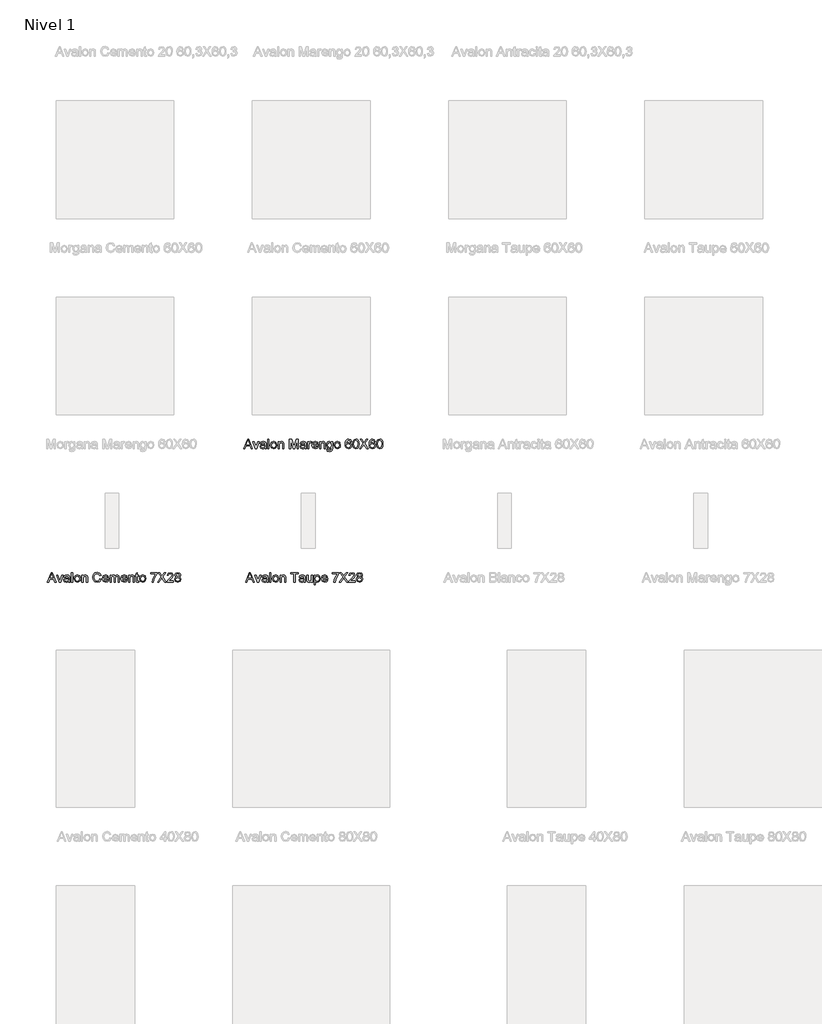
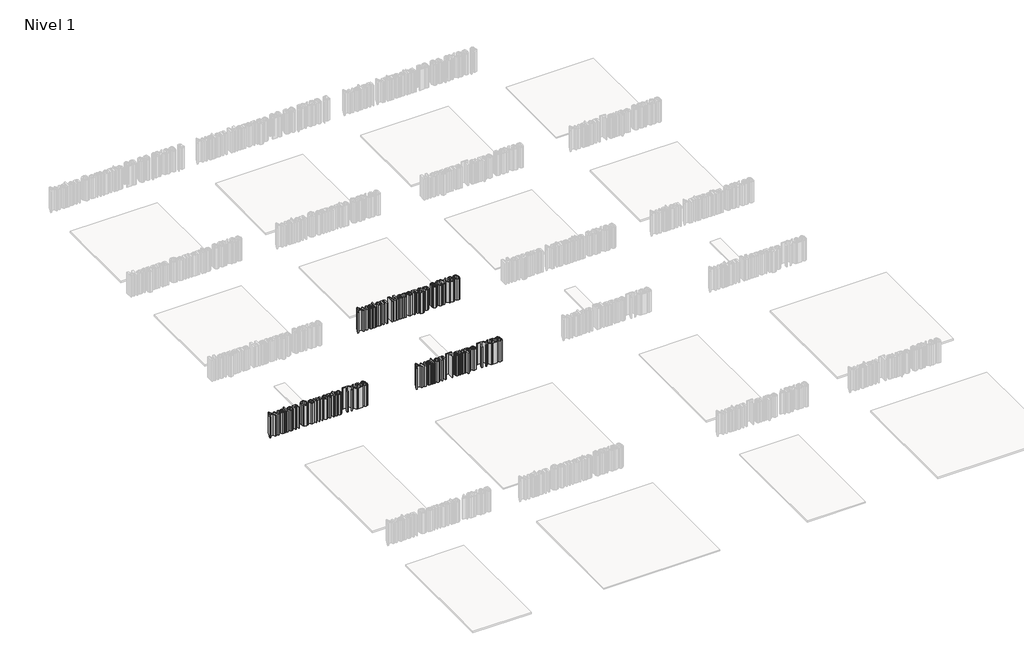
# One storey, part 5 of 11: 3 proxies.
"""IFC4 building model written with IfcOpenShell, lengths in millimetres."""

import ifcopenshell
import ifcopenshell.guid

model = None  # the IFC model being written
_history = None  # IfcOwnerHistory: only IFC2X3 demands one
_inside = {}  # id of a spatial element -> (the spatial element, [elements in it])
_under = {}  # id of a project, library or spatial element -> (it, [spatial elements below it])
_declared = {}  # id of a project -> (the project, [libraries it declares])
_typed = {}  # id of a type object -> (the type object, [elements of that type])
_made_of = {}  # id of a material, layer set ... -> (it, [elements and type objects made of it])


def new_model(schema):
    """Start an empty IFC model of exactly this schema.

    Asked for "IFC4X3", IfcOpenShell would pick the latest addendum, in which some entities
    have other attributes; the version numbers below select the first issue.
    IFC2X3 requires an IfcOwnerHistory on every rooted entity: one is made here for all.
    """
    global model, _history
    if schema == "IFC4X3":
        model = ifcopenshell.file(schema_version=(4, 3, 0, 0))
    else:
        model = ifcopenshell.file(schema=schema)
    _inside.clear()
    _under.clear()
    _declared.clear()
    _typed.clear()
    _made_of.clear()
    _history = None
    if model.schema == "IFC2X3":
        org = make("IfcOrganization", Name="unknown")
        user = make(
            "IfcPersonAndOrganization",
            ThePerson=make("IfcPerson", FamilyName="unknown"),
            TheOrganization=org,
        )
        app = make(
            "IfcApplication",
            ApplicationDeveloper=org,
            Version="unknown",
            ApplicationFullName="unknown",
            ApplicationIdentifier="unknown",
        )
        _history = make(
            "IfcOwnerHistory",
            OwningUser=user,
            OwningApplication=app,
            ChangeAction="ADDED",
            CreationDate=0,
        )
    return model


def make(cls, **values):
    """One entity of the class cls with the attributes given. An attribute that is None is left unset."""
    return model.create_entity(
        cls, **{name: value for name, value in values.items() if value is not None}
    )


def rooted(cls, **values):
    """An entity with a GlobalId (a new one), such as an element, a storey or a relation."""
    return make(cls, GlobalId=ifcopenshell.guid.new(), OwnerHistory=_history, **values)


def si_unit(unit_type, name, prefix=None):
    """IfcSIUnit, for example si_unit("LENGTHUNIT", "METRE", prefix="MILLI")."""
    return make("IfcSIUnit", UnitType=unit_type, Prefix=prefix, Name=name)


def assignment(units):
    """IfcUnitAssignment: the units of a project."""
    return None if units is None else make("IfcUnitAssignment", Units=units)


def point(xyz):
    """IfcCartesianPoint."""
    return None if xyz is None else make("IfcCartesianPoint", Coordinates=xyz)


def direction(xyz):
    """IfcDirection."""
    return None if xyz is None else make("IfcDirection", DirectionRatios=xyz)


def frame(location, z_axis=None, x_axis=None):
    """IfcAxis2Placement3D, a coordinate frame: its origin and axes. An axis left out is left unset."""
    return make(
        "IfcAxis2Placement3D",
        Location=point(location),
        Axis=direction(z_axis),
        RefDirection=direction(x_axis),
    )


def origin():
    """The frame at (0, 0, 0) with its axes left unset."""
    return frame((0.0, 0.0, 0.0))


def origin_with_axes():
    """The frame at (0, 0, 0) with the z axis (0, 0, 1) and the x axis (1, 0, 0) written out."""
    return frame((0.0, 0.0, 0.0), z_axis=(0.0, 0.0, 1.0), x_axis=(1.0, 0.0, 0.0))


def place(relative_to, where):
    """IfcLocalPlacement: puts the frame where relative to a parent placement (None: the world)."""
    return make(
        "IfcLocalPlacement", PlacementRelTo=relative_to, RelativePlacement=where
    )


def context(
    kind, dimensions, precision=None, world=None, true_north=None, identifier=None
):
    """IfcGeometricRepresentationContext, for example the 3D "Model" context."""
    return make(
        "IfcGeometricRepresentationContext",
        ContextIdentifier=identifier,
        ContextType=kind,
        CoordinateSpaceDimension=dimensions,
        Precision=precision,
        WorldCoordinateSystem=world,
        TrueNorth=true_north,
    )


def project(units=None, contexts=None):
    """IfcProject with its units and contexts."""
    return rooted(
        "IfcProject",
        Name="project",
        RepresentationContexts=contexts,
        UnitsInContext=assignment(units),
    )


def spatial(cls, under=None, at=None, **own):
    """A site, building, storey or space (cls), placed at a placement, below another one or the project."""
    s = rooted(cls, ObjectPlacement=at, **own)
    if under is not None:
        _under.setdefault(under.id(), (under, []))[1].append(s)
    return s


def polyline(points):
    """IfcPolyline through the points."""
    return make("IfcPolyline", Points=[point(p) for p in points])


def outline(outer, holes=None, kind="AREA"):
    """IfcArbitraryClosedProfileDef: a profile drawn as a closed curve; with holes, ...WithVoids."""
    if holes is None:
        return make("IfcArbitraryClosedProfileDef", ProfileType=kind, OuterCurve=outer)
    return make(
        "IfcArbitraryProfileDefWithVoids",
        ProfileType=kind,
        OuterCurve=outer,
        InnerCurves=holes,
    )


def extrude(swept, where, along, depth):
    """IfcExtrudedAreaSolid: the profile swept, set in the frame where, extruded along a direction by depth."""
    return make(
        "IfcExtrudedAreaSolid",
        SweptArea=swept,
        Position=where,
        ExtrudedDirection=direction(along),
        Depth=depth,
    )


def shape(context_of_items, identifier, shape_type, items):
    """IfcShapeRepresentation: the items that make up one representation, for example the "Body"."""
    return make(
        "IfcShapeRepresentation",
        ContextOfItems=context_of_items,
        RepresentationIdentifier=identifier,
        RepresentationType=shape_type,
        Items=items,
    )


def made_of(thing, what):
    """Note that an element or type object is made of a material, layer set ...; save() writes the relation."""
    if what is not None:
        _made_of.setdefault(what.id(), (what, []))[1].append(thing)
    return thing


def element(
    cls,
    number,
    at=None,
    inside=None,
    cuts=None,
    type_object=None,
    material=None,
    context=None,
    identifier="Body",
    shape_type=None,
    held_by="IfcProductDefinitionShape",
    body=None,
    shapes=None,
    **own,
):
    """One element of the class cls, such as IfcWall. Its Tag is "e" and its number.

    at: its placement. inside: the storey or other place that contains it. cuts: it is an
    opening in that element (IfcRelVoidsElement). A single representation is given by context,
    identifier, shape_type and body (its items); several are given by shapes. held_by: the class
    of the entity that holds the representations. save() writes the other relations.
    """
    e = rooted(cls, Tag="e%d" % number, ObjectPlacement=at, **own)
    if body is not None:
        shapes = [shape(context, identifier, shape_type, body)]
    if shapes is not None:
        e.Representation = make(held_by, Representations=shapes)
    if inside is not None:
        _inside.setdefault(inside.id(), (inside, []))[1].append(e)
    if cuts is not None:
        rooted(
            "IfcRelVoidsElement", RelatingBuildingElement=cuts, RelatedOpeningElement=e
        )
    if type_object is not None:
        _typed.setdefault(type_object.id(), (type_object, []))[1].append(e)
    return made_of(e, material)


def aggregate(whole, parts):
    """IfcRelAggregates: a whole, such as a stair, and the parts it consists of."""
    return rooted("IfcRelAggregates", RelatingObject=whole, RelatedObjects=parts)


def save(model, path):
    """Write the relations noted so far, then the file.

    IfcRelAggregates (storeys below a building ...), IfcRelContainedInSpatialStructure (elements
    in a storey), IfcRelDefinesByType, IfcRelAssociatesMaterial and IfcRelDeclares: one each for
    every whole, place, type object, material and project.
    """
    for whole, parts in _under.values():
        aggregate(whole, parts)
    for where, things in _inside.values():
        rooted(
            "IfcRelContainedInSpatialStructure",
            RelatedElements=things,
            RelatingStructure=where,
        )
    for kind, things in _typed.values():
        rooted("IfcRelDefinesByType", RelatedObjects=things, RelatingType=kind)
    for what, things in _made_of.values():
        rooted("IfcRelAssociatesMaterial", RelatedObjects=things, RelatingMaterial=what)
    for by, libraries in _declared.values():
        rooted("IfcRelDeclares", RelatingContext=by, RelatedDefinitions=libraries)
    model.write(path)


model = new_model("IFC4")

# Units and contexts
model_context = context("Model", 3, world=origin())
ifc_project = project(units=[si_unit("LENGTHUNIT", "METRE", prefix="MILLI")], contexts=[model_context])

# Site, building, storey
site = spatial("IfcSite", under=ifc_project)
building = spatial("IfcBuilding", under=site)
storey = spatial("IfcBuildingStorey", under=building, Name="Nivel 1", Elevation=0.0)

# Proxies
placement = place(None, origin())
element("IfcBuildingElementProxy", 1, Name="Texto de modelo 1", ObjectType="Texto de modelo 1", at=placement, inside=storey, context=model_context, shape_type="SweptSolid", body=[
    extrude(outline(polyline([(955.8341766, -2172.9229512), (975.4856189, -2123.692182), (980.7260035, -2123.692182), (1000.3774458, -2172.9229512), (993.875042, -2172.9229512), (988.2380227, -2157.5383359), (967.9615804, -2157.5383359), (962.3365804, -2172.9229512), (955.8341766, -2172.9229512)]), holes=[polyline([(970.2211958, -2151.3844897), (985.9904266, -2151.3844897), (981.5553304, -2139.2811243), (978.1058112, -2129.8460282), (975.0409073, -2138.223432), (970.2211958, -2151.3844897)])]), origin_with_axes(), (0.0, 0.0, 1.0), 150.0),
    extrude(outline(polyline([(1015.0529266, -2172.9229512), (1002.3365804, -2136.7691051), (1008.8510035, -2136.7691051), (1016.5553304, -2158.4277589), (1018.875042, -2165.7114128), (1021.1466766, -2158.8364128), (1028.8990804, -2136.7691051), (1035.4135035, -2136.7691051), (1022.8534073, -2172.9229512), (1015.0529266, -2172.9229512)])), origin_with_axes(), (0.0, 0.0, 1.0), 150.0),
    extrude(outline(polyline([(1063.875042, -2168.3075666), (1057.9074939, -2172.4782397), (1051.3149458, -2173.692182), (1042.3786477, -2170.7715089), (1039.2596573, -2163.3075666), (1040.437542, -2158.4397782), (1043.5324939, -2154.9061243), (1047.8413881, -2152.8868936), (1053.1659073, -2151.9614128), (1063.8389843, -2149.8460282), (1062.1803304, -2143.9325666), (1055.3774458, -2142.1537205), (1049.1514843, -2143.3376147), (1046.1827343, -2147.5383359), (1040.0288881, -2146.7691051), (1042.6911477, -2140.7594897), (1048.0517246, -2137.2378551), (1056.170715, -2135.9998743), (1063.6286477, -2137.0936243), (1067.8413881, -2139.8400186), (1069.7284073, -2144.0167012), (1070.0288881, -2149.4013166), (1070.0288881, -2157.0575666), (1070.3413881, -2167.7486724), (1071.5673496, -2172.9229512), (1065.4135035, -2172.9229512), (1063.875042, -2168.3075666)]), holes=[polyline([(1063.875042, -2155.9998743), (1053.9471573, -2157.8868936), (1048.6526862, -2158.8844897), (1046.2548496, -2160.5070859), (1045.4135035, -2162.8748743), (1047.2464362, -2166.2042012), (1052.625042, -2167.5383359), (1058.8510035, -2166.0659801), (1062.8654266, -2162.5022782), (1063.8389843, -2157.7426628), (1063.875042, -2155.9998743)])]), origin_with_axes(), (0.0, 0.0, 1.0), 150.0),
    extrude(outline(polyline([(1078.4904266, -2172.9229512), (1078.4904266, -2123.692182), (1084.6442727, -2123.692182), (1084.6442727, -2172.9229512), (1078.4904266, -2172.9229512)])), origin_with_axes(), (0.0, 0.0, 1.0), 150.0),
    extrude(outline(polyline([(1092.3365804, -2154.8460282), (1093.6677102, -2146.1290811), (1097.6610996, -2140.0022782), (1108.5024458, -2135.9998743), (1120.1310516, -2140.8736724), (1124.6442727, -2154.3412205), (1122.6490804, -2165.2907397), (1116.8377823, -2171.4866532), (1108.5024458, -2173.692182), (1096.8017246, -2168.8364128), (1092.3365804, -2154.8460282)]), holes=[polyline([(1098.4904266, -2154.8340089), (1101.3389843, -2164.3712686), (1108.5024458, -2167.5383359), (1115.6418689, -2164.3532397), (1118.4904266, -2154.6417012), (1115.62384, -2145.3207878), (1108.5024458, -2142.1537205), (1101.3389843, -2145.3087686), (1098.4904266, -2154.8340089)])]), origin_with_axes(), (0.0, 0.0, 1.0), 150.0),
    extrude(outline(polyline([(1131.5673496, -2172.9229512), (1131.5673496, -2136.7691051), (1137.7211958, -2136.7691051), (1137.7211958, -2141.817182), (1142.4267246, -2137.4542012), (1148.8510035, -2135.9998743), (1154.6623016, -2137.1717493), (1158.6286477, -2140.2486724), (1160.4735996, -2144.7739128), (1160.7981189, -2150.723432), (1160.7981189, -2172.9229512), (1154.6442727, -2172.9229512), (1154.6442727, -2151.5527589), (1153.9351381, -2146.1080474), (1151.4291285, -2143.2294416), (1147.2043689, -2142.1537205), (1140.5276862, -2144.5695859), (1137.7211958, -2153.7402589), (1137.7211958, -2172.9229512), (1131.5673496, -2172.9229512)])), origin_with_axes(), (0.0, 0.0, 1.0), 150.0),
    extrude(outline(polyline([(1189.2596573, -2172.9229512), (1189.2596573, -2123.692182), (1199.8485996, -2123.692182), (1209.920715, -2158.3917012), (1211.951965, -2165.6392974), (1214.1514843, -2157.7907397), (1224.0553304, -2123.692182), (1234.6442727, -2123.692182), (1234.6442727, -2172.9229512), (1228.4904266, -2172.9229512), (1228.4904266, -2129.8460282), (1216.1226381, -2172.9229512), (1207.781292, -2172.9229512), (1195.4135035, -2129.8460282), (1195.4135035, -2172.9229512), (1189.2596573, -2172.9229512)])), origin_with_axes(), (0.0, 0.0, 1.0), 150.0),
    extrude(outline(polyline([(1267.7211958, -2168.3075666), (1261.7536477, -2172.4782397), (1255.1610996, -2173.692182), (1246.2248016, -2170.7715089), (1243.1058112, -2163.3075666), (1244.2836958, -2158.4397782), (1247.3786477, -2154.9061243), (1251.687542, -2152.8868936), (1257.0120612, -2151.9614128), (1267.6851381, -2149.8460282), (1266.0264843, -2143.9325666), (1259.2235996, -2142.1537205), (1252.9976381, -2143.3376147), (1250.0288881, -2147.5383359), (1243.875042, -2146.7691051), (1246.5373016, -2140.7594897), (1251.8978785, -2137.2378551), (1260.0168689, -2135.9998743), (1267.4748016, -2137.0936243), (1271.687542, -2139.8400186), (1273.5745612, -2144.0167012), (1273.875042, -2149.4013166), (1273.875042, -2157.0575666), (1274.187542, -2167.7486724), (1275.4135035, -2172.9229512), (1269.2596573, -2172.9229512), (1267.7211958, -2168.3075666)]), holes=[polyline([(1267.7211958, -2155.9998743), (1257.7933112, -2157.8868936), (1252.49884, -2158.8844897), (1250.1010035, -2160.5070859), (1249.2596573, -2162.8748743), (1251.09259, -2166.2042012), (1256.4711958, -2167.5383359), (1262.6971573, -2166.0659801), (1266.7115804, -2162.5022782), (1267.6851381, -2157.7426628), (1267.7211958, -2155.9998743)])]), origin_with_axes(), (0.0, 0.0, 1.0), 150.0),
    extrude(outline(polyline([(1282.3365804, -2172.9229512), (1282.3365804, -2136.7691051), (1287.7211958, -2136.7691051), (1287.7211958, -2142.1176628), (1291.5433112, -2137.1897782), (1295.389465, -2135.9998743), (1301.5673496, -2137.8989128), (1299.5120612, -2143.4157397), (1295.1851381, -2142.1537205), (1291.7055708, -2143.3676628), (1289.4880227, -2146.7330474), (1288.4904266, -2153.9205474), (1288.4904266, -2172.9229512), (1282.3365804, -2172.9229512)])), origin_with_axes(), (0.0, 0.0, 1.0), 150.0),
    extrude(outline(polyline([(1330.7260035, -2162.1537205), (1336.7596573, -2162.9229512), (1331.1166285, -2170.8676628), (1320.6058112, -2173.692182), (1307.8293689, -2168.8183839), (1303.1058112, -2155.1465089), (1307.8774458, -2141.0239128), (1320.2572535, -2135.9998743), (1332.2824939, -2141.0118936), (1336.951965, -2155.1104512), (1336.9159073, -2156.7691051), (1309.2596573, -2156.7691051), (1312.7993208, -2164.7618936), (1320.7260035, -2167.5383359), (1326.7596573, -2166.2522782), (1330.7260035, -2162.1537205)]), holes=[polyline([(1309.2596573, -2150.6152589), (1330.7981189, -2150.6152589), (1328.3341766, -2145.0383359), (1320.233215, -2142.1537205), (1312.65509, -2144.4554032), (1309.2596573, -2150.6152589)])]), origin_with_axes(), (0.0, 0.0, 1.0), 150.0),
    extrude(outline(polyline([(1343.1058112, -2172.9229512), (1343.1058112, -2136.7691051), (1349.2596573, -2136.7691051), (1349.2596573, -2141.817182), (1353.9651862, -2137.4542012), (1360.389465, -2135.9998743), (1366.2007631, -2137.1717493), (1370.1671093, -2140.2486724), (1372.0120612, -2144.7739128), (1372.3365804, -2150.723432), (1372.3365804, -2172.9229512), (1366.1827343, -2172.9229512), (1366.1827343, -2151.5527589), (1365.4735996, -2146.1080474), (1362.96759, -2143.2294416), (1358.7428304, -2142.1537205), (1352.0661477, -2144.5695859), (1349.2596573, -2153.7402589), (1349.2596573, -2172.9229512), (1343.1058112, -2172.9229512)])), origin_with_axes(), (0.0, 0.0, 1.0), 150.0),
    extrude(outline(polyline([(1379.2596573, -2175.9998743), (1385.4135035, -2176.7691051), (1387.4086958, -2180.0142974), (1393.3822535, -2181.3844897), (1399.6803304, -2179.8340089), (1402.6851381, -2175.4830474), (1403.1058112, -2168.3075666), (1393.4904266, -2172.9229512), (1382.4147054, -2167.5503551), (1378.4904266, -2154.6657397), (1380.2512439, -2145.1284801), (1385.3473977, -2138.379682), (1393.1899458, -2135.9998743), (1403.1058112, -2141.3844897), (1403.1058112, -2136.7691051), (1409.2596573, -2136.7691051), (1409.2596573, -2167.9830474), (1407.576965, -2179.9361724), (1402.2464362, -2185.4950666), (1393.2620612, -2187.5383359), (1383.0276862, -2184.6597301), (1379.2596573, -2175.9998743)]), holes=[polyline([(1384.6442727, -2154.2450666), (1387.2704746, -2163.770307), (1393.8630227, -2166.7691051), (1400.4435516, -2163.7883359), (1403.1058112, -2154.4253551), (1400.3654266, -2145.2486724), (1393.7668689, -2142.1537205), (1387.3065323, -2145.2005955), (1384.6442727, -2154.2450666)])]), origin_with_axes(), (0.0, 0.0, 1.0), 150.0),
    extrude(outline(polyline([(1416.951965, -2154.8460282), (1418.2830948, -2146.1290811), (1422.2764843, -2140.0022782), (1433.1178304, -2135.9998743), (1444.7464362, -2140.8736724), (1449.2596573, -2154.3412205), (1447.264465, -2165.2907397), (1441.453167, -2171.4866532), (1433.1178304, -2173.692182), (1421.4171093, -2168.8364128), (1416.951965, -2154.8460282)]), holes=[polyline([(1423.1058112, -2154.8340089), (1425.9543689, -2164.3712686), (1433.1178304, -2167.5383359), (1440.2572535, -2164.3532397), (1443.1058112, -2154.6417012), (1440.2392246, -2145.3207878), (1433.1178304, -2142.1537205), (1425.9543689, -2145.3087686), (1423.1058112, -2154.8340089)])]), origin_with_axes(), (0.0, 0.0, 1.0), 150.0),
    extrude(outline(polyline([(1505.4135035, -2136.7691051), (1499.2596573, -2137.5383359), (1496.9279266, -2132.4061243), (1490.7620612, -2129.8460282), (1485.2091766, -2131.3364128), (1481.0084554, -2136.9313647), (1479.2596573, -2147.8989128), (1484.68634, -2142.989057), (1491.4110996, -2141.3844897), (1501.8678304, -2145.7715089), (1506.1827343, -2157.1056436), (1504.1514843, -2165.5972301), (1498.562542, -2171.6068455), (1490.4976381, -2173.692182), (1477.9555708, -2168.1633359), (1474.3182511, -2160.8436243), (1473.1058112, -2149.942182), (1474.451965, -2137.6855714), (1478.4904266, -2129.3051628), (1484.0042487, -2125.0954272), (1491.1466766, -2123.692182), (1500.8702343, -2127.1657397), (1505.4135035, -2136.7691051)]), holes=[polyline([(1479.2596573, -2157.0094897), (1480.6839362, -2162.3400186), (1484.4699939, -2166.2102109), (1490.0168689, -2167.5383359), (1497.2704746, -2164.785932), (1500.0288881, -2157.3099705), (1497.3065323, -2150.1525186), (1489.764465, -2147.5383359), (1482.3185516, -2150.1525186), (1479.2596573, -2157.0094897)])]), origin_with_axes(), (0.0, 0.0, 1.0), 150.0),
    extrude(outline(polyline([(1511.5673496, -2148.7042012), (1513.3762439, -2134.5395378), (1518.74884, -2126.3724705), (1527.7211958, -2123.692182), (1534.9086958, -2125.2787205), (1539.8726381, -2129.8520378), (1542.7572535, -2137.1356916), (1543.875042, -2148.7042012), (1542.0841766, -2162.8087686), (1536.7296093, -2170.9938647), (1527.7211958, -2173.692182), (1516.4711958, -2169.004682), (1512.7933112, -2160.6783599), (1511.5673496, -2148.7042012)]), holes=[polyline([(1517.7211958, -2148.692182), (1520.6058112, -2163.9746339), (1527.7211958, -2167.5383359), (1534.8365804, -2163.9626147), (1537.7211958, -2148.692182), (1534.9327343, -2133.5840089), (1527.6490804, -2129.8460282), (1520.701965, -2133.1392974), (1517.7211958, -2148.692182)])]), origin_with_axes(), (0.0, 0.0, 1.0), 150.0),
    extrude(outline(polyline([(1546.1827343, -2172.9229512), (1565.1610996, -2146.0960282), (1549.2596573, -2123.692182), (1556.639465, -2123.692182), (1565.593792, -2136.3003551), (1568.6106189, -2141.2162205), (1572.1442727, -2136.2162205), (1581.0024458, -2123.692182), (1588.4904266, -2123.692182), (1572.5889843, -2146.1681436), (1591.5673496, -2172.9229512), (1584.187542, -2172.9229512), (1571.5433112, -2155.0864128), (1568.9110996, -2151.3844897), (1566.014465, -2155.4469897), (1553.670715, -2172.9229512), (1546.1827343, -2172.9229512)])), origin_with_axes(), (0.0, 0.0, 1.0), 150.0),
    extrude(outline(polyline([(1626.951965, -2136.7691051), (1620.7981189, -2137.5383359), (1618.4663881, -2132.4061243), (1612.3005227, -2129.8460282), (1606.7476381, -2131.3364128), (1602.546917, -2136.9313647), (1600.7981189, -2147.8989128), (1606.2248016, -2142.989057), (1612.9495612, -2141.3844897), (1623.406292, -2145.7715089), (1627.7211958, -2157.1056436), (1625.6899458, -2165.5972301), (1620.1010035, -2171.6068455), (1612.0360996, -2173.692182), (1599.4940323, -2168.1633359), (1595.8567126, -2160.8436243), (1594.6442727, -2149.942182), (1595.9904266, -2137.6855714), (1600.0288881, -2129.3051628), (1605.5427102, -2125.0954272), (1612.6851381, -2123.692182), (1622.4086958, -2127.1657397), (1626.951965, -2136.7691051)]), holes=[polyline([(1600.7981189, -2157.0094897), (1602.2223977, -2162.3400186), (1606.0084554, -2166.2102109), (1611.5553304, -2167.5383359), (1618.8089362, -2164.785932), (1621.5673496, -2157.3099705), (1618.8449939, -2150.1525186), (1611.3029266, -2147.5383359), (1603.8570131, -2150.1525186), (1600.7981189, -2157.0094897)])]), origin_with_axes(), (0.0, 0.0, 1.0), 150.0),
    extrude(outline(polyline([(1633.1058112, -2148.7042012), (1634.9147054, -2134.5395378), (1640.2873016, -2126.3724705), (1649.2596573, -2123.692182), (1656.4471573, -2125.2787205), (1661.4110996, -2129.8520378), (1664.295715, -2137.1356916), (1665.4135035, -2148.7042012), (1663.6226381, -2162.8087686), (1658.2680708, -2170.9938647), (1649.2596573, -2173.692182), (1638.0096573, -2169.004682), (1634.3317727, -2160.6783599), (1633.1058112, -2148.7042012)]), holes=[polyline([(1639.2596573, -2148.692182), (1642.1442727, -2163.9746339), (1649.2596573, -2167.5383359), (1656.375042, -2163.9626147), (1659.2596573, -2148.692182), (1656.4711958, -2133.5840089), (1649.187542, -2129.8460282), (1642.2404266, -2133.1392974), (1639.2596573, -2148.692182)])]), origin_with_axes(), (0.0, 0.0, 1.0), 150.0),
])
element("IfcBuildingElementProxy", 2, Name="Texto de modelo 1", ObjectType="Texto de modelo 1", at=placement, inside=storey, context=model_context, shape_type="SweptSolid", body=[
    extrude(outline(polyline([(-44.1658234, -2852.9229512), (-24.5143811, -2803.692182), (-19.2739965, -2803.692182), (0.3774458, -2852.9229512), (-6.124958, -2852.9229512), (-11.7619773, -2837.5383359), (-32.0384196, -2837.5383359), (-37.6634196, -2852.9229512), (-44.1658234, -2852.9229512)]), holes=[polyline([(-29.7788042, -2831.3844897), (-14.0095734, -2831.3844897), (-18.4446696, -2819.2811243), (-21.8941888, -2809.8460282), (-24.9590927, -2818.223432), (-29.7788042, -2831.3844897)])]), origin_with_axes(), (0.0, 0.0, 1.0), 150.0),
    extrude(outline(polyline([(15.0529266, -2852.9229512), (2.3365804, -2816.7691051), (8.8510035, -2816.7691051), (16.5553304, -2838.4277589), (18.875042, -2845.7114128), (21.1466766, -2838.8364128), (28.8990804, -2816.7691051), (35.4135035, -2816.7691051), (22.8534073, -2852.9229512), (15.0529266, -2852.9229512)])), origin_with_axes(), (0.0, 0.0, 1.0), 150.0),
    extrude(outline(polyline([(63.875042, -2848.3075666), (57.9074939, -2852.4782397), (51.3149458, -2853.692182), (42.3786477, -2850.7715089), (39.2596573, -2843.3075666), (40.437542, -2838.4397782), (43.5324939, -2834.9061243), (47.8413881, -2832.8868936), (53.1659073, -2831.9614128), (63.8389843, -2829.8460282), (62.1803304, -2823.9325666), (55.3774458, -2822.1537205), (49.1514843, -2823.3376147), (46.1827343, -2827.5383359), (40.0288881, -2826.7691051), (42.6911477, -2820.7594897), (48.0517246, -2817.2378551), (56.170715, -2815.9998743), (63.6286477, -2817.0936243), (67.8413881, -2819.8400186), (69.7284073, -2824.0167012), (70.0288881, -2829.4013166), (70.0288881, -2837.0575666), (70.3413881, -2847.7486724), (71.5673496, -2852.9229512), (65.4135035, -2852.9229512), (63.875042, -2848.3075666)]), holes=[polyline([(63.875042, -2835.9998743), (53.9471573, -2837.8868936), (48.6526862, -2838.8844897), (46.2548496, -2840.5070859), (45.4135035, -2842.8748743), (47.2464362, -2846.2042012), (52.625042, -2847.5383359), (58.8510035, -2846.0659801), (62.8654266, -2842.5022782), (63.8389843, -2837.7426628), (63.875042, -2835.9998743)])]), origin_with_axes(), (0.0, 0.0, 1.0), 150.0),
    extrude(outline(polyline([(78.4904266, -2852.9229512), (78.4904266, -2803.692182), (84.6442727, -2803.692182), (84.6442727, -2852.9229512), (78.4904266, -2852.9229512)])), origin_with_axes(), (0.0, 0.0, 1.0), 150.0),
    extrude(outline(polyline([(92.3365804, -2834.8460282), (93.6677102, -2826.1290811), (97.6610996, -2820.0022782), (108.5024458, -2815.9998743), (120.1310516, -2820.8736724), (124.6442727, -2834.3412205), (122.6490804, -2845.2907397), (116.8377823, -2851.4866532), (108.5024458, -2853.692182), (96.8017246, -2848.8364128), (92.3365804, -2834.8460282)]), holes=[polyline([(98.4904266, -2834.8340089), (101.3389843, -2844.3712686), (108.5024458, -2847.5383359), (115.6418689, -2844.3532397), (118.4904266, -2834.6417012), (115.62384, -2825.3207878), (108.5024458, -2822.1537205), (101.3389843, -2825.3087686), (98.4904266, -2834.8340089)])]), origin_with_axes(), (0.0, 0.0, 1.0), 150.0),
    extrude(outline(polyline([(131.5673496, -2852.9229512), (131.5673496, -2816.7691051), (137.7211958, -2816.7691051), (137.7211958, -2821.817182), (142.4267246, -2817.4542012), (148.8510035, -2815.9998743), (154.6623016, -2817.1717493), (158.6286477, -2820.2486724), (160.4735996, -2824.7739128), (160.7981189, -2830.723432), (160.7981189, -2852.9229512), (154.6442727, -2852.9229512), (154.6442727, -2831.5527589), (153.9351381, -2826.1080474), (151.4291285, -2823.2294416), (147.2043689, -2822.1537205), (140.5276862, -2824.5695859), (137.7211958, -2833.7402589), (137.7211958, -2852.9229512), (131.5673496, -2852.9229512)])), origin_with_axes(), (0.0, 0.0, 1.0), 150.0),
    extrude(outline(polyline([(223.875042, -2835.4229512), (230.0288881, -2837.0094897), (222.733215, -2849.4193455), (209.8485996, -2853.692182), (197.0421093, -2850.4590089), (189.53009, -2841.0960282), (186.951965, -2827.9349705), (189.8666285, -2814.5575666), (198.1538881, -2805.8856916), (209.9808112, -2802.9229512), (222.3065323, -2806.7570859), (229.2596573, -2817.5503551), (223.1058112, -2819.0167012), (218.0577343, -2811.4505955), (209.7404266, -2809.0767974), (200.1130227, -2811.7090089), (194.6743208, -2818.7763166), (193.1058112, -2827.9229512), (194.9627823, -2838.5239128), (200.7440323, -2845.2967493), (209.2356189, -2847.5383359), (218.6526862, -2844.4854512), (223.875042, -2835.4229512)])), origin_with_axes(), (0.0, 0.0, 1.0), 150.0),
    extrude(outline(polyline([(263.0336958, -2842.1537205), (269.0673496, -2842.9229512), (263.4243208, -2850.8676628), (252.9135035, -2853.692182), (240.1370612, -2848.8183839), (235.4135035, -2835.1465089), (240.1851381, -2821.0239128), (252.5649458, -2815.9998743), (264.5901862, -2821.0118936), (269.2596573, -2835.1104512), (269.2235996, -2836.7691051), (241.5673496, -2836.7691051), (245.1070131, -2844.7618936), (253.0336958, -2847.5383359), (259.0673496, -2846.2522782), (263.0336958, -2842.1537205)]), holes=[polyline([(241.5673496, -2830.6152589), (263.1058112, -2830.6152589), (260.6418689, -2825.0383359), (252.5409073, -2822.1537205), (244.9627823, -2824.4554032), (241.5673496, -2830.6152589)])]), origin_with_axes(), (0.0, 0.0, 1.0), 150.0),
    extrude(outline(polyline([(275.4135035, -2852.9229512), (275.4135035, -2816.7691051), (281.5673496, -2816.7691051), (281.5673496, -2822.7186243), (285.7981189, -2817.8448262), (291.8197535, -2815.9998743), (297.9856189, -2817.8808839), (301.375042, -2823.1513166), (306.1767246, -2817.7877349), (312.2404266, -2815.9998743), (320.2873016, -2818.9746339), (323.1058112, -2828.1392974), (323.1058112, -2852.9229512), (316.951965, -2852.9229512), (316.951965, -2830.7835282), (316.3810516, -2825.645307), (314.3137439, -2823.1152589), (310.7981189, -2822.1537205), (304.7464362, -2824.6176628), (302.3365804, -2832.5142974), (302.3365804, -2852.9229512), (296.1827343, -2852.9229512), (296.1827343, -2830.098432), (294.7584554, -2824.1368936), (290.0889843, -2822.1537205), (285.5336958, -2823.4758359), (282.5048496, -2827.3460282), (281.5673496, -2834.6897782), (281.5673496, -2852.9229512), (275.4135035, -2852.9229512)])), origin_with_axes(), (0.0, 0.0, 1.0), 150.0),
    extrude(outline(polyline([(357.6490804, -2842.1537205), (363.6827343, -2842.9229512), (358.0397054, -2850.8676628), (347.5288881, -2853.692182), (334.7524458, -2848.8183839), (330.0288881, -2835.1465089), (334.8005227, -2821.0239128), (347.1803304, -2815.9998743), (359.2055708, -2821.0118936), (363.875042, -2835.1104512), (363.8389843, -2836.7691051), (336.1827343, -2836.7691051), (339.7223977, -2844.7618936), (347.6490804, -2847.5383359), (353.6827343, -2846.2522782), (357.6490804, -2842.1537205)]), holes=[polyline([(336.1827343, -2830.6152589), (357.7211958, -2830.6152589), (355.2572535, -2825.0383359), (347.156292, -2822.1537205), (339.578167, -2824.4554032), (336.1827343, -2830.6152589)])]), origin_with_axes(), (0.0, 0.0, 1.0), 150.0),
    extrude(outline(polyline([(370.0288881, -2852.9229512), (370.0288881, -2816.7691051), (376.1827343, -2816.7691051), (376.1827343, -2821.817182), (380.8882631, -2817.4542012), (387.312542, -2815.9998743), (393.12384, -2817.1717493), (397.0901862, -2820.2486724), (398.9351381, -2824.7739128), (399.2596573, -2830.723432), (399.2596573, -2852.9229512), (393.1058112, -2852.9229512), (393.1058112, -2831.5527589), (392.3966766, -2826.1080474), (389.890667, -2823.2294416), (385.6659073, -2822.1537205), (378.9892246, -2824.5695859), (376.1827343, -2833.7402589), (376.1827343, -2852.9229512), (370.0288881, -2852.9229512)])), origin_with_axes(), (0.0, 0.0, 1.0), 150.0),
    extrude(outline(polyline([(420.7981189, -2847.7907397), (421.5673496, -2853.1032397), (416.9639843, -2853.692182), (411.8077343, -2852.6705474), (409.2356189, -2849.9902589), (408.4904266, -2843.0070859), (408.4904266, -2822.9229512), (403.875042, -2822.9229512), (403.875042, -2816.7691051), (408.4904266, -2816.7691051), (408.4904266, -2807.9830474), (414.6442727, -2804.3652589), (414.6442727, -2816.7691051), (420.7981189, -2816.7691051), (420.7981189, -2822.9229512), (414.6442727, -2822.9229512), (414.6442727, -2842.8267974), (414.968792, -2845.9998743), (418.1178304, -2847.5383359), (420.7981189, -2847.7907397)])), origin_with_axes(), (0.0, 0.0, 1.0), 150.0),
    extrude(outline(polyline([(425.4135035, -2834.8460282), (426.7446333, -2826.1290811), (430.7380227, -2820.0022782), (441.5793689, -2815.9998743), (453.2079746, -2820.8736724), (457.7211958, -2834.3412205), (455.7260035, -2845.2907397), (449.9147054, -2851.4866532), (441.5793689, -2853.692182), (429.8786477, -2848.8364128), (425.4135035, -2834.8460282)]), holes=[polyline([(431.5673496, -2834.8340089), (434.4159073, -2844.3712686), (441.5793689, -2847.5383359), (448.718792, -2844.3532397), (451.5673496, -2834.6417012), (448.7007631, -2825.3207878), (441.5793689, -2822.1537205), (434.4159073, -2825.3087686), (431.5673496, -2834.8340089)])]), origin_with_axes(), (0.0, 0.0, 1.0), 150.0),
    extrude(outline(polyline([(482.3365804, -2810.6152589), (482.3365804, -2804.4614128), (514.6442727, -2804.4614128), (514.6442727, -2809.4373743), (505.4796093, -2822.676557), (498.4663881, -2839.5455474), (496.1827343, -2852.9229512), (490.0288881, -2852.9229512), (492.4748016, -2839.0407397), (499.187542, -2823.3496339), (508.4904266, -2810.6152589), (482.3365804, -2810.6152589)])), origin_with_axes(), (0.0, 0.0, 1.0), 150.0),
    extrude(outline(polyline([(516.951965, -2852.9229512), (535.9303304, -2826.0960282), (520.0288881, -2803.692182), (527.4086958, -2803.692182), (536.3630227, -2816.3003551), (539.3798496, -2821.2162205), (542.9135035, -2816.2162205), (551.7716766, -2803.692182), (559.2596573, -2803.692182), (543.358215, -2826.1681436), (562.3365804, -2852.9229512), (554.9567727, -2852.9229512), (542.312542, -2835.0864128), (539.6803304, -2831.3844897), (536.7836958, -2835.4469897), (524.4399458, -2852.9229512), (516.951965, -2852.9229512)])), origin_with_axes(), (0.0, 0.0, 1.0), 150.0),
    extrude(outline(polyline([(597.7211958, -2846.7691051), (597.7211958, -2852.9229512), (565.4135035, -2852.9229512), (566.0745612, -2848.6801628), (569.812542, -2842.1477109), (577.5168689, -2835.0142974), (588.1418689, -2824.7618936), (590.7981189, -2817.7907397), (588.2921093, -2812.1477109), (581.7476381, -2809.8460282), (574.9267246, -2812.0936243), (572.3365804, -2818.3075666), (566.1827343, -2817.5383359), (570.9002823, -2807.2378551), (581.8798496, -2803.692182), (592.8954746, -2807.6344897), (596.951965, -2817.4181436), (595.858215, -2823.2534801), (592.2223977, -2829.2871339), (583.406292, -2837.7186243), (576.326965, -2843.6380955), (573.5505227, -2846.7691051), (597.7211958, -2846.7691051)])), origin_with_axes(), (0.0, 0.0, 1.0), 150.0),
    extrude(outline(polyline([(612.8413881, -2825.8075666), (607.234417, -2821.9854512), (605.4135035, -2816.035932), (609.3798496, -2807.2498743), (619.9447535, -2803.692182), (630.6058112, -2807.3340089), (634.6442727, -2816.2042012), (632.8473977, -2822.0034801), (627.3966766, -2825.8075666), (633.9411477, -2830.6332878), (636.1827343, -2838.5960282), (631.7356189, -2849.3412205), (620.0288881, -2853.692182), (608.3221573, -2849.3231916), (603.875042, -2838.4277589), (606.2067727, -2830.2787205), (612.8413881, -2825.8075666)]), holes=[polyline([(611.5673496, -2816.2162205), (613.74884, -2821.0479512), (620.1010035, -2822.9229512), (626.326965, -2821.0599705), (628.4904266, -2816.4926628), (626.2548496, -2811.7630955), (620.0288881, -2809.8460282), (613.7848977, -2811.7210282), (611.5673496, -2816.2162205)]), polyline([(610.0288881, -2838.2114128), (611.0565323, -2842.8448262), (614.6923496, -2846.3123743), (620.076965, -2847.5383359), (627.4086958, -2844.9602109), (630.0288881, -2838.4037205), (627.3245612, -2831.7210282), (619.8726381, -2829.0767974), (612.6310516, -2831.6849705), (610.0288881, -2838.2114128)])]), origin_with_axes(), (0.0, 0.0, 1.0), 150.0),
])
element("IfcBuildingElementProxy", 3, Name="Texto de modelo 1", ObjectType="Texto de modelo 1", at=placement, inside=storey, context=model_context, shape_type="SweptSolid", body=[
    extrude(outline(polyline([(965.8341766, -2852.9229512), (985.4856189, -2803.692182), (990.7260035, -2803.692182), (1010.3774458, -2852.9229512), (1003.875042, -2852.9229512), (998.2380227, -2837.5383359), (977.9615804, -2837.5383359), (972.3365804, -2852.9229512), (965.8341766, -2852.9229512)]), holes=[polyline([(980.2211958, -2831.3844897), (995.9904266, -2831.3844897), (991.5553304, -2819.2811243), (988.1058112, -2809.8460282), (985.0409073, -2818.223432), (980.2211958, -2831.3844897)])]), origin_with_axes(), (0.0, 0.0, 1.0), 150.0),
    extrude(outline(polyline([(1025.0529266, -2852.9229512), (1012.3365804, -2816.7691051), (1018.8510035, -2816.7691051), (1026.5553304, -2838.4277589), (1028.875042, -2845.7114128), (1031.1466766, -2838.8364128), (1038.8990804, -2816.7691051), (1045.4135035, -2816.7691051), (1032.8534073, -2852.9229512), (1025.0529266, -2852.9229512)])), origin_with_axes(), (0.0, 0.0, 1.0), 150.0),
    extrude(outline(polyline([(1073.875042, -2848.3075666), (1067.9074939, -2852.4782397), (1061.3149458, -2853.692182), (1052.3786477, -2850.7715089), (1049.2596573, -2843.3075666), (1050.437542, -2838.4397782), (1053.5324939, -2834.9061243), (1057.8413881, -2832.8868936), (1063.1659073, -2831.9614128), (1073.8389843, -2829.8460282), (1072.1803304, -2823.9325666), (1065.3774458, -2822.1537205), (1059.1514843, -2823.3376147), (1056.1827343, -2827.5383359), (1050.0288881, -2826.7691051), (1052.6911477, -2820.7594897), (1058.0517246, -2817.2378551), (1066.170715, -2815.9998743), (1073.6286477, -2817.0936243), (1077.8413881, -2819.8400186), (1079.7284073, -2824.0167012), (1080.0288881, -2829.4013166), (1080.0288881, -2837.0575666), (1080.3413881, -2847.7486724), (1081.5673496, -2852.9229512), (1075.4135035, -2852.9229512), (1073.875042, -2848.3075666)]), holes=[polyline([(1073.875042, -2835.9998743), (1063.9471573, -2837.8868936), (1058.6526862, -2838.8844897), (1056.2548496, -2840.5070859), (1055.4135035, -2842.8748743), (1057.2464362, -2846.2042012), (1062.625042, -2847.5383359), (1068.8510035, -2846.0659801), (1072.8654266, -2842.5022782), (1073.8389843, -2837.7426628), (1073.875042, -2835.9998743)])]), origin_with_axes(), (0.0, 0.0, 1.0), 150.0),
    extrude(outline(polyline([(1088.4904266, -2852.9229512), (1088.4904266, -2803.692182), (1094.6442727, -2803.692182), (1094.6442727, -2852.9229512), (1088.4904266, -2852.9229512)])), origin_with_axes(), (0.0, 0.0, 1.0), 150.0),
    extrude(outline(polyline([(1102.3365804, -2834.8460282), (1103.6677102, -2826.1290811), (1107.6610996, -2820.0022782), (1118.5024458, -2815.9998743), (1130.1310516, -2820.8736724), (1134.6442727, -2834.3412205), (1132.6490804, -2845.2907397), (1126.8377823, -2851.4866532), (1118.5024458, -2853.692182), (1106.8017246, -2848.8364128), (1102.3365804, -2834.8460282)]), holes=[polyline([(1108.4904266, -2834.8340089), (1111.3389843, -2844.3712686), (1118.5024458, -2847.5383359), (1125.6418689, -2844.3532397), (1128.4904266, -2834.6417012), (1125.62384, -2825.3207878), (1118.5024458, -2822.1537205), (1111.3389843, -2825.3087686), (1108.4904266, -2834.8340089)])]), origin_with_axes(), (0.0, 0.0, 1.0), 150.0),
    extrude(outline(polyline([(1141.5673496, -2852.9229512), (1141.5673496, -2816.7691051), (1147.7211958, -2816.7691051), (1147.7211958, -2821.817182), (1152.4267246, -2817.4542012), (1158.8510035, -2815.9998743), (1164.6623016, -2817.1717493), (1168.6286477, -2820.2486724), (1170.4735996, -2824.7739128), (1170.7981189, -2830.723432), (1170.7981189, -2852.9229512), (1164.6442727, -2852.9229512), (1164.6442727, -2831.5527589), (1163.9351381, -2826.1080474), (1161.4291285, -2823.2294416), (1157.2043689, -2822.1537205), (1150.5276862, -2824.5695859), (1147.7211958, -2833.7402589), (1147.7211958, -2852.9229512), (1141.5673496, -2852.9229512)])), origin_with_axes(), (0.0, 0.0, 1.0), 150.0),
    extrude(outline(polyline([(1211.5673496, -2852.9229512), (1211.5673496, -2809.8460282), (1195.4135035, -2809.8460282), (1195.4135035, -2803.692182), (1233.875042, -2803.692182), (1233.875042, -2809.8460282), (1217.7211958, -2809.8460282), (1217.7211958, -2852.9229512), (1211.5673496, -2852.9229512)])), origin_with_axes(), (0.0, 0.0, 1.0), 150.0),
    extrude(outline(polyline([(1263.1058112, -2848.3075666), (1257.1382631, -2852.4782397), (1250.545715, -2853.692182), (1241.609417, -2850.7715089), (1238.4904266, -2843.3075666), (1239.6683112, -2838.4397782), (1242.7632631, -2834.9061243), (1247.0721573, -2832.8868936), (1252.3966766, -2831.9614128), (1263.0697535, -2829.8460282), (1261.4110996, -2823.9325666), (1254.608215, -2822.1537205), (1248.3822535, -2823.3376147), (1245.4135035, -2827.5383359), (1239.2596573, -2826.7691051), (1241.921917, -2820.7594897), (1247.2824939, -2817.2378551), (1255.4014843, -2815.9998743), (1262.859417, -2817.0936243), (1267.0721573, -2819.8400186), (1268.9591766, -2824.0167012), (1269.2596573, -2829.4013166), (1269.2596573, -2837.0575666), (1269.5721573, -2847.7486724), (1270.7981189, -2852.9229512), (1264.6442727, -2852.9229512), (1263.1058112, -2848.3075666)]), holes=[polyline([(1263.1058112, -2835.9998743), (1253.1779266, -2837.8868936), (1247.8834554, -2838.8844897), (1245.4856189, -2840.5070859), (1244.6442727, -2842.8748743), (1246.4772054, -2846.2042012), (1251.8558112, -2847.5383359), (1258.0817727, -2846.0659801), (1262.0961958, -2842.5022782), (1263.0697535, -2837.7426628), (1263.1058112, -2835.9998743)])]), origin_with_axes(), (0.0, 0.0, 1.0), 150.0),
    extrude(outline(polyline([(1300.7981189, -2852.9229512), (1300.7981189, -2846.7090089), (1295.9784073, -2851.9463887), (1289.6923496, -2853.692182), (1283.90509, -2852.4662205), (1279.9147054, -2849.3892974), (1278.0817727, -2844.8580474), (1277.7211958, -2839.1368936), (1277.7211958, -2816.7691051), (1283.875042, -2816.7691051), (1283.875042, -2836.2402589), (1284.2476381, -2842.5142974), (1286.6815323, -2846.1981916), (1291.2668689, -2847.5383359), (1296.40509, -2846.1681436), (1299.8005227, -2842.4361724), (1300.7981189, -2835.5792012), (1300.7981189, -2816.7691051), (1306.951965, -2816.7691051), (1306.951965, -2852.9229512), (1300.7981189, -2852.9229512)])), origin_with_axes(), (0.0, 0.0, 1.0), 150.0),
    extrude(outline(polyline([(1315.4135035, -2866.7691051), (1315.4135035, -2816.7691051), (1321.5673496, -2816.7691051), (1321.5673496, -2822.8027589), (1325.8221573, -2817.7005955), (1331.5673496, -2815.9998743), (1339.3678304, -2818.379682), (1344.4639843, -2825.0864128), (1346.1827343, -2834.5695859), (1344.2416285, -2844.5395378), (1338.6046093, -2851.3304032), (1330.8221573, -2853.692182), (1325.46759, -2852.1116532), (1321.5673496, -2848.1152589), (1321.5673496, -2866.7691051), (1315.4135035, -2866.7691051)]), holes=[polyline([(1321.5673496, -2835.1344897), (1324.2296093, -2844.5094897), (1330.6899458, -2847.5383359), (1337.2824939, -2844.4013166), (1340.0288881, -2834.6777589), (1337.3485996, -2825.2787205), (1330.9423496, -2822.1537205), (1324.4098977, -2825.4770378), (1321.5673496, -2835.1344897)])]), origin_with_axes(), (0.0, 0.0, 1.0), 150.0),
    extrude(outline(polyline([(1378.4183112, -2842.1537205), (1384.451965, -2842.9229512), (1378.8089362, -2850.8676628), (1368.2981189, -2853.692182), (1355.5216766, -2848.8183839), (1350.7981189, -2835.1465089), (1355.5697535, -2821.0239128), (1367.9495612, -2815.9998743), (1379.9748016, -2821.0118936), (1384.6442727, -2835.1104512), (1384.608215, -2836.7691051), (1356.951965, -2836.7691051), (1360.4916285, -2844.7618936), (1368.4183112, -2847.5383359), (1374.451965, -2846.2522782), (1378.4183112, -2842.1537205)]), holes=[polyline([(1356.951965, -2830.6152589), (1378.4904266, -2830.6152589), (1376.0264843, -2825.0383359), (1367.9255227, -2822.1537205), (1360.3473977, -2824.4554032), (1356.951965, -2830.6152589)])]), origin_with_axes(), (0.0, 0.0, 1.0), 150.0),
    extrude(outline(polyline([(1408.4904266, -2810.6152589), (1408.4904266, -2804.4614128), (1440.7981189, -2804.4614128), (1440.7981189, -2809.4373743), (1431.6334554, -2822.676557), (1424.6202343, -2839.5455474), (1422.3365804, -2852.9229512), (1416.1827343, -2852.9229512), (1418.6286477, -2839.0407397), (1425.3413881, -2823.3496339), (1434.6442727, -2810.6152589), (1408.4904266, -2810.6152589)])), origin_with_axes(), (0.0, 0.0, 1.0), 150.0),
    extrude(outline(polyline([(1443.1058112, -2852.9229512), (1462.0841766, -2826.0960282), (1446.1827343, -2803.692182), (1453.562542, -2803.692182), (1462.5168689, -2816.3003551), (1465.5336958, -2821.2162205), (1469.0673496, -2816.2162205), (1477.9255227, -2803.692182), (1485.4135035, -2803.692182), (1469.5120612, -2826.1681436), (1488.4904266, -2852.9229512), (1481.1106189, -2852.9229512), (1468.4663881, -2835.0864128), (1465.8341766, -2831.3844897), (1462.937542, -2835.4469897), (1450.593792, -2852.9229512), (1443.1058112, -2852.9229512)])), origin_with_axes(), (0.0, 0.0, 1.0), 150.0),
    extrude(outline(polyline([(1523.875042, -2846.7691051), (1523.875042, -2852.9229512), (1491.5673496, -2852.9229512), (1492.2284073, -2848.6801628), (1495.9663881, -2842.1477109), (1503.670715, -2835.0142974), (1514.295715, -2824.7618936), (1516.951965, -2817.7907397), (1514.4459554, -2812.1477109), (1507.9014843, -2809.8460282), (1501.0805708, -2812.0936243), (1498.4904266, -2818.3075666), (1492.3365804, -2817.5383359), (1497.0541285, -2807.2378551), (1508.0336958, -2803.692182), (1519.0493208, -2807.6344897), (1523.1058112, -2817.4181436), (1522.0120612, -2823.2534801), (1518.3762439, -2829.2871339), (1509.5601381, -2837.7186243), (1502.4808112, -2843.6380955), (1499.7043689, -2846.7691051), (1523.875042, -2846.7691051)])), origin_with_axes(), (0.0, 0.0, 1.0), 150.0),
    extrude(outline(polyline([(1538.9952343, -2825.8075666), (1533.3882631, -2821.9854512), (1531.5673496, -2816.035932), (1535.5336958, -2807.2498743), (1546.0985996, -2803.692182), (1556.7596573, -2807.3340089), (1560.7981189, -2816.2042012), (1559.0012439, -2822.0034801), (1553.5505227, -2825.8075666), (1560.0949939, -2830.6332878), (1562.3365804, -2838.5960282), (1557.889465, -2849.3412205), (1546.1827343, -2853.692182), (1534.4760035, -2849.3231916), (1530.0288881, -2838.4277589), (1532.3606189, -2830.2787205), (1538.9952343, -2825.8075666)]), holes=[polyline([(1537.7211958, -2816.2162205), (1539.9026862, -2821.0479512), (1546.2548496, -2822.9229512), (1552.4808112, -2821.0599705), (1554.6442727, -2816.4926628), (1552.4086958, -2811.7630955), (1546.1827343, -2809.8460282), (1539.9387439, -2811.7210282), (1537.7211958, -2816.2162205)]), polyline([(1536.1827343, -2838.2114128), (1537.2103785, -2842.8448262), (1540.8461958, -2846.3123743), (1546.2308112, -2847.5383359), (1553.562542, -2844.9602109), (1556.1827343, -2838.4037205), (1553.4784073, -2831.7210282), (1546.0264843, -2829.0767974), (1538.7848977, -2831.6849705), (1536.1827343, -2838.2114128)])]), origin_with_axes(), (0.0, 0.0, 1.0), 150.0),
])

save(model, "model.ifc")
